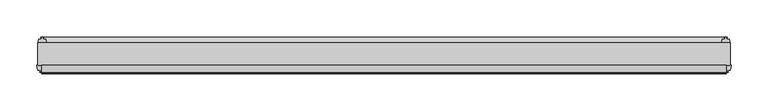
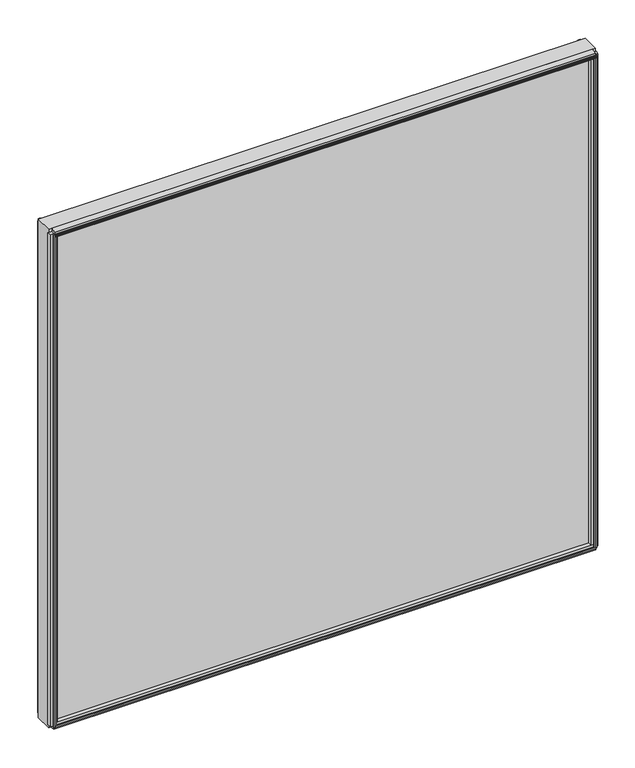
"""IFC4 building model written with IfcOpenShell, lengths in millimetres: plate geometry."""

from ifc_helpers import new_model, si_unit, point, frame, frame_2d, origin, place, context, project, spatial, polyline, circle_curve, trimmed, segment, composite_curve, outline, extrude, source, transform, mapped, element, save


def plate_7f51b40e(model_context):
    return source(origin(), model_context, "Body", "SweptSolid", [
        extrude(outline(polyline([(465.8624, 0.0611188), (465.8624, -30.0632812), (-476.9749, -30.0632812), (-476.9749, 0.0611188), (465.8624, 0.0611188)])), frame((0.0, 0.0, -11.1125), z_axis=(0.0, 0.0, 1.0), x_axis=(1.0, 0.0, 0.0)), (0.0, 0.0, 1.0), 908.3330961),
        extrude(outline(composite_curve([segment(polyline([(8.0873088, 0.0002053), (5.6997088, 0.0001442)]), True, "CONTINUOUS"), segment(trimmed(circle_curve(frame_2d((5.6997289, -0.7872558)), 0.7874), [point((5.6997088, 0.0001442))], [point((4.9123289, -0.7872759))], True, "CARTESIAN"), True, "CONTINUOUS"), segment(polyline([(4.9123289, -0.7872759), (4.9123491, -1.5746759), (6.4871491, -1.5746356), (4.9125187, -7.3281779), (4.9125187, -8.2080719)]), True, "CONTINUOUS"), segment(trimmed(circle_curve(frame_2d((2.4868178, -8.16973)), 2.426004), [point((4.9125187, -8.2080719))], [point((0.0611188, -8.208196))], False, "CARTESIAN"), True, "CONTINUOUS"), segment(polyline([(0.0611188, -8.208196), (0.0611188, 5.8106117)]), True, "CONTINUOUS"), segment(trimmed(circle_curve(frame_2d((11.7432902, 13.4990678)), 13.9851882), [point((0.0611188, 5.8106117))], [point((8.0873088, 0.0002053))], True, "CARTESIAN"), True, "CONTINUOUS")], self_intersect=False)), frame((-471.41865, 0.0, 0.0), z_axis=(1.0, 0.0, 0.0), x_axis=(0.0, 1.0, 0.0)), (0.0, 0.0, 1.0), 931.7248),
        extrude(outline(polyline([(-39.5149036, -7.140847), (-39.2671431, -8.6868), (-40.0794863, -8.6868), (-40.4772812, -6.35), (-40.0622654, -4.0132), (-39.2489981, -4.0132), (-39.5092713, -5.5660571), (-36.7897626, -5.0931804), (-36.7897626, -0.8006079), (-30.0632812, 0.3636403), (-30.0632812, -13.1466842), (-36.798847, -11.9285134), (-36.798847, -7.6331642), (-39.5149036, -7.140847)])), frame((-471.41865, 0.0, 0.0), z_axis=(1.0, 0.0, 0.0), x_axis=(0.0, 1.0, 0.0)), (0.0, 0.0, 1.0), 931.7248),
        extrude(outline(polyline([(-30.0632813, 897.8124973), (-30.0632813, 883.4429092), (-36.7942812, 885.2120812), (-37.9052879, 889.3584144), (-40.6553872, 889.1211518), (-40.0090278, 887.6902863), (-40.7941323, 887.4799182), (-41.7914929, 889.6319096), (-42.003749, 891.9942691), (-41.2186445, 892.2046373), (-41.0629754, 890.6422917), (-38.5626883, 891.811866), (-39.6736949, 895.9581992), (-30.0632813, 897.8124973)])), frame((-471.41865, 0.0, 0.0), z_axis=(1.0, 0.0, 0.0), x_axis=(0.0, 1.0, 0.0)), (0.0, 0.0, 1.0), 931.7248),
        extrude(outline(polyline([(461.0583429, -39.5092713), (462.6068246, -39.2497314), (462.6097316, -40.0625262), (460.2744, -40.4772812), (457.9361614, -40.0792415), (457.9361614, -39.2664467), (459.483553, -39.5149036), (458.9912273, -36.7987999), (454.7126005, -36.7987999), (453.5193, -30.0632812), (467.0295, -30.0632812), (465.8405205, -36.7744101), (461.5338891, -36.7744101), (461.0583429, -39.5092713)])), frame((0.0, 0.0, -5.55625), z_axis=(0.0, 0.0, 1.0), x_axis=(1.0, 0.0, 0.0)), (0.0, 0.0, 1.0), 897.2205961),
        extrude(outline(polyline([(458.7284571, 7.5513088), (457.1799754, 7.2917689), (457.1770684, 8.1045637), (459.5124, 8.5193188), (461.8506386, 8.121279), (461.8506386, 7.3084842), (460.303247, 7.5569411), (460.7955727, 4.8408374), (464.2865409, 4.8408374), (464.8153556, 2.5845617), (464.2822338, 0.0611188), (454.7425662, 0.0611188), (454.2094444, 2.5845617), (454.7372, 4.8363188), (458.2563662, 4.8363188), (458.7284571, 7.5513088)])), frame((0.0, 0.0, -5.55625), z_axis=(0.0, 0.0, 1.0), x_axis=(1.0, 0.0, 0.0)), (0.0, 0.0, 1.0), 897.2205961),
        extrude(outline(polyline([(-472.1708429, -39.5092713), (-472.6463891, -36.7744101), (-476.9530205, -36.7744101), (-478.142, -30.0632812), (-464.6318, -30.0632812), (-465.8251005, -36.7987999), (-470.1037273, -36.7987999), (-470.596053, -39.5149036), (-469.0486614, -39.2664467), (-469.0486614, -40.0792415), (-471.3869, -40.4772812), (-473.7222316, -40.0625262), (-473.7193246, -39.2497314), (-472.1708429, -39.5092713)])), frame((0.0, 0.0, -5.55625), z_axis=(0.0, 0.0, 1.0), x_axis=(1.0, 0.0, 0.0)), (0.0, 0.0, 1.0), 897.2205961),
        extrude(outline(polyline([(-469.8409571, 7.5513088), (-469.3688662, 4.8363188), (-465.8497, 4.8363188), (-465.3219444, 2.5845617), (-465.8550662, 0.0611188), (-475.3947338, 0.0611188), (-475.9278556, 2.5845617), (-475.3990409, 4.8408374), (-471.9080727, 4.8408374), (-471.415747, 7.5569411), (-472.9631386, 7.3084842), (-472.9631386, 8.121279), (-470.6249, 8.5193188), (-468.2895684, 8.1045637), (-468.2924754, 7.2917689), (-469.8409571, 7.5513088)])), frame((0.0, 0.0, -5.55625), z_axis=(0.0, 0.0, 1.0), x_axis=(1.0, 0.0, 0.0)), (0.0, 0.0, 1.0), 897.2205961),
    ])


if __name__ == "__main__":
    model = new_model("IFC4")
    model_context = context("Model", 3, world=origin())
    ifc_project = project(units=[si_unit("LENGTHUNIT", "METRE", prefix="MILLI")], contexts=[model_context])
    site = spatial("IfcSite", under=ifc_project)
    building = spatial("IfcBuilding", under=site)
    placement = place(None, origin())
    plate_shape = plate_7f51b40e(model_context)
    element("IfcPlate", 1, at=placement, inside=building, context=model_context, shape_type="MappedRepresentation", body=[
        mapped(plate_shape, transform((0.0, 0.0, 0.0), x_axis=(1.0, 0.0, 0.0), y_axis=(0.0, 1.0, 0.0), z_axis=(0.0, 0.0, 1.0))),
    ])
    save(model, "model.ifc")
